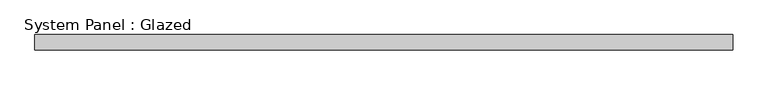
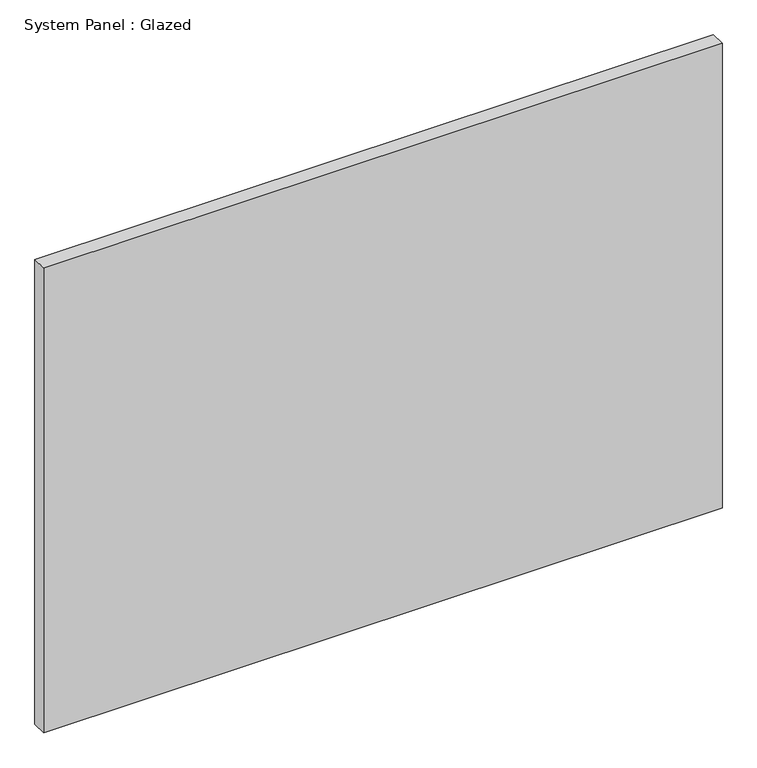
"""IFC4 building model written with IfcOpenShell, lengths in millimetres: plate geometry, System Panel : Glazed."""

from ifc_helpers import new_model, si_unit, origin, origin_with_axes, place, context, project, spatial, polyline, outline, extrude, source, transform, mapped, element, save


def system_panel_glazed_68d831f6(model_context):
    return source(origin(), model_context, "Body", "SweptSolid", [
        extrude(outline(polyline([(577.375, 19.05), (-577.375, 19.05), (-577.375, 44.45), (577.375, 44.45), (577.375, 19.05)])), origin_with_axes(), (0.0, 0.0, 1.0), 836.5),
    ])


if __name__ == "__main__":
    model = new_model("IFC4")
    model_context = context("Model", 3, world=origin())
    ifc_project = project(units=[si_unit("LENGTHUNIT", "METRE", prefix="MILLI")], contexts=[model_context])
    site = spatial("IfcSite", under=ifc_project)
    building = spatial("IfcBuilding", under=site)
    placement = place(None, origin())
    system_panel_glazed_shape = system_panel_glazed_68d831f6(model_context)
    element("IfcPlate", 1, ObjectType="System Panel : Glazed", at=placement, inside=building, context=model_context, shape_type="MappedRepresentation", body=[
        mapped(system_panel_glazed_shape, transform((0.0, 0.0, 0.0), x_axis=(1.0, 0.0, 0.0), y_axis=(0.0, 1.0, 0.0), z_axis=(0.0, 0.0, 1.0))),
    ])
    save(model, "model.ifc")
